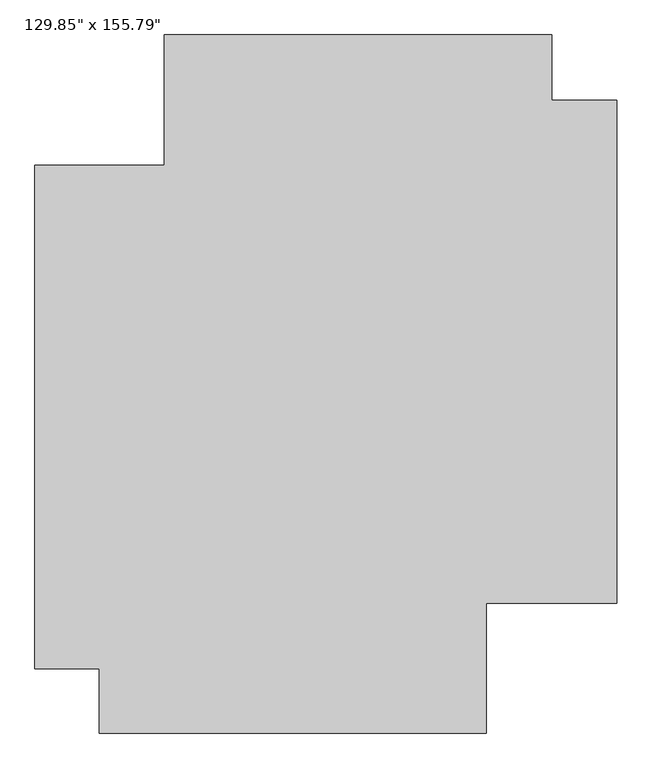
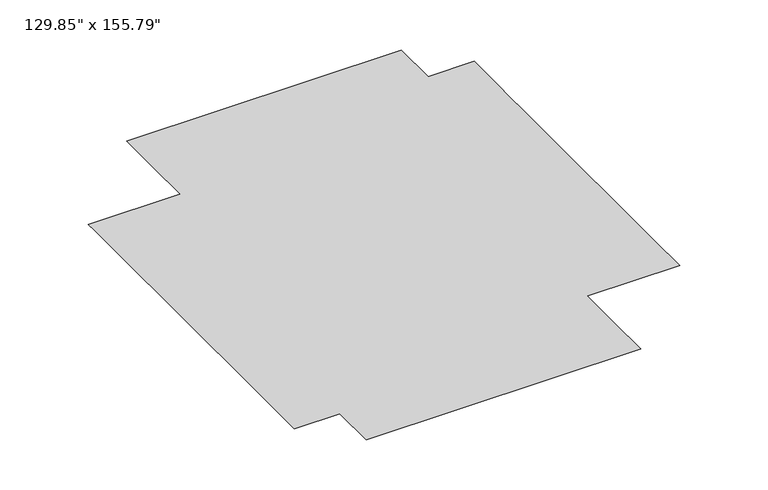
"""IFC4 building model written with IfcOpenShell, lengths in millimetres: furniture geometry."""

from ifc_helpers import new_model, si_unit, origin, place, context, project, spatial, triangles, source, transform, mapped, element, save


def furniture_3448edf4(model_context):
    return source(origin(), model_context, "Body", "Tessellation", [
        triangles([(-1285.4447937, -1092.3985102, 1.2699), (-1285.4447937, -1241.361438, 1.2699), (909.747159, -1241.361002, 1.2699), (909.747159, -1092.3979288, 1.2699), (-1285.4447937, -1042.1056498, 1.2699), (-1649.0616978, -1042.1055771, 1.2699), (-1649.0616978, -1092.3984375, 1.2699), (1649.0529774, -1241.3608566, 1.2699), (1649.0529774, -1092.3977835, 1.2699), (1280.9338772, 1608.7454086, 1.2699), (1280.9337318, 1978.5779217, 1.2699), (-914.5782595, 1978.5774857, 1.2699), (-914.5781868, 1608.7449726, 1.2699), (1280.9338772, 1239.4852444, 1.2699), (1648.8448505, 1239.4852444, 1.2699), (1648.8448505, 1608.7454086, 1.2699), (1280.9338772, 1153.1060692, 1.2699), (1648.9486233, 1153.1060692, 1.2699), (-914.5781141, 1239.4849537, 1.2699), (-914.5781141, 1153.1057058, 1.2699), (-1285.4447937, -1612.6447346, 1.2699), (-1285.4446484, -1978.5770496, 1.2699), (909.7473043, -1978.5766136, 1.2699), (909.7472317, -1612.6441532, 1.2699), (-1649.0616978, -1241.361438, 1.2699), (-1649.0616978, -1612.6447346, 1.2699), (-920.1206537, 879.506563, 1.2699), (909.747159, -1042.1052137, 1.2699), (1280.9340225, 879.5072897, 1.2699), (-1649.0621338, 1153.1056332, 1.2699), (-1649.0619884, 879.506781, 1.2699), (-1649.0621338, 1239.4848083, 1.2699), (1649.0526867, 879.5073624, 1.2699), (1649.0529774, -1042.1050684, 1.2699)], [[1, 2, 3], [1, 3, 4], [1, 5, 6], [1, 6, 7], [4, 3, 8], [4, 8, 9], [10, 11, 12], [10, 12, 13], [10, 14, 15], [10, 15, 16], [14, 17, 18], [14, 18, 15], [19, 20, 17], [19, 17, 14], [21, 22, 23], [21, 23, 24], [14, 10, 13], [14, 13, 19], [21, 2, 25], [21, 25, 26], [27, 5, 28], [27, 28, 29], [27, 20, 30], [27, 30, 31], [5, 27, 31], [5, 31, 6], [5, 1, 4], [5, 4, 28], [2, 1, 7], [2, 7, 25], [2, 21, 24], [2, 24, 3], [20, 27, 29], [20, 29, 17], [20, 19, 32], [20, 32, 30], [17, 29, 33], [17, 33, 18], [29, 28, 34], [29, 34, 33], [28, 4, 9], [28, 9, 34]], closed=False),
    ])


if __name__ == "__main__":
    model = new_model("IFC4")
    model_context = context("Model", 3, world=origin())
    ifc_project = project(units=[si_unit("LENGTHUNIT", "METRE", prefix="MILLI")], contexts=[model_context])
    site = spatial("IfcSite", under=ifc_project)
    building = spatial("IfcBuilding", under=site)
    placement = place(None, origin())
    furniture_shape = furniture_3448edf4(model_context)
    element("IfcFurniture", 1, ObjectType="129.85\" x 155.79\"", at=placement, inside=building, context=model_context, shape_type="MappedRepresentation", body=[
        mapped(furniture_shape, transform((0.0, 0.0, 0.0), x_axis=(1.0, 0.0, 0.0), y_axis=(0.0, 1.0, 0.0), z_axis=(0.0, 0.0, 1.0))),
    ])
    save(model, "model.ifc")
